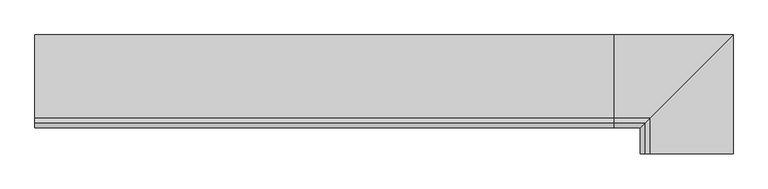
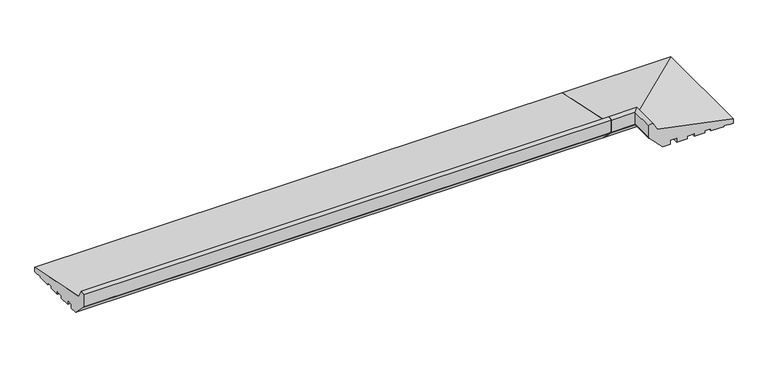
"""IFC4 building model written with IfcOpenShell, lengths in millimetres: proxy geometry."""

import ifcopenshell
import ifcopenshell.guid

model = None  # the IFC model being written
_history = None  # IfcOwnerHistory: only IFC2X3 demands one
_inside = {}  # id of a spatial element -> (the spatial element, [elements in it])
_under = {}  # id of a project, library or spatial element -> (it, [spatial elements below it])
_declared = {}  # id of a project -> (the project, [libraries it declares])
_typed = {}  # id of a type object -> (the type object, [elements of that type])
_made_of = {}  # id of a material, layer set ... -> (it, [elements and type objects made of it])


def new_model(schema):
    """Start an empty IFC model of exactly this schema.

    Asked for "IFC4X3", IfcOpenShell would pick the latest addendum, in which some entities
    have other attributes; the version numbers below select the first issue.
    IFC2X3 requires an IfcOwnerHistory on every rooted entity: one is made here for all.
    """
    global model, _history
    if schema == "IFC4X3":
        model = ifcopenshell.file(schema_version=(4, 3, 0, 0))
    else:
        model = ifcopenshell.file(schema=schema)
    _inside.clear()
    _under.clear()
    _declared.clear()
    _typed.clear()
    _made_of.clear()
    _history = None
    if model.schema == "IFC2X3":
        org = make("IfcOrganization", Name="unknown")
        user = make(
            "IfcPersonAndOrganization",
            ThePerson=make("IfcPerson", FamilyName="unknown"),
            TheOrganization=org,
        )
        app = make(
            "IfcApplication",
            ApplicationDeveloper=org,
            Version="unknown",
            ApplicationFullName="unknown",
            ApplicationIdentifier="unknown",
        )
        _history = make(
            "IfcOwnerHistory",
            OwningUser=user,
            OwningApplication=app,
            ChangeAction="ADDED",
            CreationDate=0,
        )
    return model


def make(cls, **values):
    """One entity of the class cls with the attributes given. An attribute that is None is left unset."""
    return model.create_entity(
        cls, **{name: value for name, value in values.items() if value is not None}
    )


def rooted(cls, **values):
    """An entity with a GlobalId (a new one), such as an element, a storey or a relation."""
    return make(cls, GlobalId=ifcopenshell.guid.new(), OwnerHistory=_history, **values)


def si_unit(unit_type, name, prefix=None):
    """IfcSIUnit, for example si_unit("LENGTHUNIT", "METRE", prefix="MILLI")."""
    return make("IfcSIUnit", UnitType=unit_type, Prefix=prefix, Name=name)


def assignment(units):
    """IfcUnitAssignment: the units of a project."""
    return None if units is None else make("IfcUnitAssignment", Units=units)


def point(xyz):
    """IfcCartesianPoint."""
    return None if xyz is None else make("IfcCartesianPoint", Coordinates=xyz)


def direction(xyz):
    """IfcDirection."""
    return None if xyz is None else make("IfcDirection", DirectionRatios=xyz)


def frame(location, z_axis=None, x_axis=None):
    """IfcAxis2Placement3D, a coordinate frame: its origin and axes. An axis left out is left unset."""
    return make(
        "IfcAxis2Placement3D",
        Location=point(location),
        Axis=direction(z_axis),
        RefDirection=direction(x_axis),
    )


def frame_2d(location, x_axis=None):
    """IfcAxis2Placement2D, a coordinate frame in the plane: its origin and x axis."""
    return make(
        "IfcAxis2Placement2D", Location=point(location), RefDirection=direction(x_axis)
    )


def origin():
    """The frame at (0, 0, 0) with its axes left unset."""
    return frame((0.0, 0.0, 0.0))


def place(relative_to, where):
    """IfcLocalPlacement: puts the frame where relative to a parent placement (None: the world)."""
    return make(
        "IfcLocalPlacement", PlacementRelTo=relative_to, RelativePlacement=where
    )


def context(
    kind, dimensions, precision=None, world=None, true_north=None, identifier=None
):
    """IfcGeometricRepresentationContext, for example the 3D "Model" context."""
    return make(
        "IfcGeometricRepresentationContext",
        ContextIdentifier=identifier,
        ContextType=kind,
        CoordinateSpaceDimension=dimensions,
        Precision=precision,
        WorldCoordinateSystem=world,
        TrueNorth=true_north,
    )


def project(units=None, contexts=None):
    """IfcProject with its units and contexts."""
    return rooted(
        "IfcProject",
        Name="project",
        RepresentationContexts=contexts,
        UnitsInContext=assignment(units),
    )


def spatial(cls, under=None, at=None, **own):
    """A site, building, storey or space (cls), placed at a placement, below another one or the project."""
    s = rooted(cls, ObjectPlacement=at, **own)
    if under is not None:
        _under.setdefault(under.id(), (under, []))[1].append(s)
    return s


def polyline(points):
    """IfcPolyline through the points."""
    return make("IfcPolyline", Points=[point(p) for p in points])


def circle_curve(where, radius):
    """IfcCircle in the frame where."""
    return make("IfcCircle", Position=where, Radius=radius)


def ellipse_curve(where, semi_axis1, semi_axis2):
    """IfcEllipse in the frame where."""
    return make(
        "IfcEllipse", Position=where, SemiAxis1=semi_axis1, SemiAxis2=semi_axis2
    )


def trimmed(basis, trim1, trim2, sense, master):
    """IfcTrimmedCurve: the piece of a basis curve between two trims."""
    return make(
        "IfcTrimmedCurve",
        BasisCurve=basis,
        Trim1=trim1,
        Trim2=trim2,
        SenseAgreement=sense,
        MasterRepresentation=master,
    )


def segment(curve, same_sense, transition):
    """IfcCompositeCurveSegment."""
    return make(
        "IfcCompositeCurveSegment",
        Transition=transition,
        SameSense=same_sense,
        ParentCurve=curve,
    )


def composite_curve(segments, self_intersect=None):
    """IfcCompositeCurve: segments joined end to end."""
    return make("IfcCompositeCurve", Segments=segments, SelfIntersect=self_intersect)


def outline(outer, holes=None, kind="AREA"):
    """IfcArbitraryClosedProfileDef: a profile drawn as a closed curve; with holes, ...WithVoids."""
    if holes is None:
        return make("IfcArbitraryClosedProfileDef", ProfileType=kind, OuterCurve=outer)
    return make(
        "IfcArbitraryProfileDefWithVoids",
        ProfileType=kind,
        OuterCurve=outer,
        InnerCurves=holes,
    )


def extrude(swept, where, along, depth):
    """IfcExtrudedAreaSolid: the profile swept, set in the frame where, extruded along a direction by depth."""
    return make(
        "IfcExtrudedAreaSolid",
        SweptArea=swept,
        Position=where,
        ExtrudedDirection=direction(along),
        Depth=depth,
    )


def shape(context_of_items, identifier, shape_type, items):
    """IfcShapeRepresentation: the items that make up one representation, for example the "Body"."""
    return make(
        "IfcShapeRepresentation",
        ContextOfItems=context_of_items,
        RepresentationIdentifier=identifier,
        RepresentationType=shape_type,
        Items=items,
    )


def source(mapping_origin, context_of_items, identifier, shape_type, items):
    """IfcRepresentationMap: a shape defined once, which mapped items show again and again."""
    return make(
        "IfcRepresentationMap",
        MappingOrigin=mapping_origin,
        MappedRepresentation=shape(context_of_items, identifier, shape_type, items),
    )


def transform(
    local_origin,
    x_axis=None,
    y_axis=None,
    z_axis=None,
    scale=None,
    scale2=None,
    scale3=None,
    uniform=True,
):
    """IfcCartesianTransformationOperator3D, or its non-uniform kind. x_axis, y_axis, z_axis: its Axis1, 2, 3."""
    if uniform:
        return make(
            "IfcCartesianTransformationOperator3D",
            Axis1=direction(x_axis),
            Axis2=direction(y_axis),
            LocalOrigin=point(local_origin),
            Scale=scale,
            Axis3=direction(z_axis),
        )
    return make(
        "IfcCartesianTransformationOperator3DnonUniform",
        Axis1=direction(x_axis),
        Axis2=direction(y_axis),
        LocalOrigin=point(local_origin),
        Scale=scale,
        Axis3=direction(z_axis),
        Scale2=scale2,
        Scale3=scale3,
    )


def mapped(mapping_source, mapping_target):
    """IfcMappedItem: shows the shape of a source again, moved by a transform."""
    return make(
        "IfcMappedItem", MappingSource=mapping_source, MappingTarget=mapping_target
    )


def made_of(thing, what):
    """Note that an element or type object is made of a material, layer set ...; save() writes the relation."""
    if what is not None:
        _made_of.setdefault(what.id(), (what, []))[1].append(thing)
    return thing


def element(
    cls,
    number,
    at=None,
    inside=None,
    cuts=None,
    type_object=None,
    material=None,
    context=None,
    identifier="Body",
    shape_type=None,
    held_by="IfcProductDefinitionShape",
    body=None,
    shapes=None,
    **own,
):
    """One element of the class cls, such as IfcWall. Its Tag is "e" and its number.

    at: its placement. inside: the storey or other place that contains it. cuts: it is an
    opening in that element (IfcRelVoidsElement). A single representation is given by context,
    identifier, shape_type and body (its items); several are given by shapes. held_by: the class
    of the entity that holds the representations. save() writes the other relations.
    """
    e = rooted(cls, Tag="e%d" % number, ObjectPlacement=at, **own)
    if body is not None:
        shapes = [shape(context, identifier, shape_type, body)]
    if shapes is not None:
        e.Representation = make(held_by, Representations=shapes)
    if inside is not None:
        _inside.setdefault(inside.id(), (inside, []))[1].append(e)
    if cuts is not None:
        rooted(
            "IfcRelVoidsElement", RelatingBuildingElement=cuts, RelatedOpeningElement=e
        )
    if type_object is not None:
        _typed.setdefault(type_object.id(), (type_object, []))[1].append(e)
    return made_of(e, material)


def aggregate(whole, parts):
    """IfcRelAggregates: a whole, such as a stair, and the parts it consists of."""
    return rooted("IfcRelAggregates", RelatingObject=whole, RelatedObjects=parts)


def save(model, path):
    """Write the relations noted so far, then the file.

    IfcRelAggregates (storeys below a building ...), IfcRelContainedInSpatialStructure (elements
    in a storey), IfcRelDefinesByType, IfcRelAssociatesMaterial and IfcRelDeclares: one each for
    every whole, place, type object, material and project.
    """
    for whole, parts in _under.values():
        aggregate(whole, parts)
    for where, things in _inside.values():
        rooted(
            "IfcRelContainedInSpatialStructure",
            RelatedElements=things,
            RelatingStructure=where,
        )
    for kind, things in _typed.values():
        rooted("IfcRelDefinesByType", RelatedObjects=things, RelatingType=kind)
    for what, things in _made_of.values():
        rooted("IfcRelAssociatesMaterial", RelatedObjects=things, RelatingMaterial=what)
    for by, libraries in _declared.values():
        rooted("IfcRelDeclares", RelatingContext=by, RelatedDefinitions=libraries)
    model.write(path)


def plane_surface(at):
    """IfcPlane: the flat surface through the origin of the frame at, square to its z axis."""
    return make("IfcPlane", Position=at)


def cylinder_surface(at, radius):
    """IfcCylindricalSurface: all points at the distance radius from the z axis of the frame at."""
    return make("IfcCylindricalSurface", Position=at, Radius=radius)


def advanced_brep(points, edges, surfaces, faces):
    """IfcAdvancedBrep: a solid bounded by faces that lie on surfaces and meet in shared edges.

    An edge is (start, end): straight between two places in points (the first is 0);
    or (start, end, curve); or (start, end, curve, False) where it runs against its curve.
    A face is (place in surfaces, loops), or (place, loops, False) where it looks against
    its surface's normal. A loop lists edges by number (the first is 1), with a minus sign
    where the edge is run from its end to its start. The first loop is the outer one.
    """
    corners = [point(p) for p in points]
    vertices = [make("IfcVertexPoint", VertexGeometry=c) for c in corners]
    made = []
    for start, end, *more in edges:
        made.append(
            make(
                "IfcEdgeCurve",
                EdgeStart=vertices[start],
                EdgeEnd=vertices[end],
                EdgeGeometry=more[0] if more else make("IfcPolyline", Points=[corners[start], corners[end]]),
                SameSense=more[1] if len(more) > 1 else True,
            )
        )
    hull = []
    for where, loops, *sense in faces:
        bounds = []
        for j, loop in enumerate(loops):
            ring = [make("IfcOrientedEdge", EdgeElement=made[abs(k) - 1], Orientation=k > 0) for k in loop]
            bounds.append(
                make(
                    "IfcFaceOuterBound" if j == 0 else "IfcFaceBound",
                    Bound=make("IfcEdgeLoop", EdgeList=ring),
                    Orientation=True,
                )
            )
        hull.append(make("IfcAdvancedFace", Bounds=bounds, FaceSurface=surfaces[where], SameSense=sense[0] if sense else True))
    return make("IfcAdvancedBrep", Outer=make("IfcClosedShell", CfsFaces=hull))


def generic_models_6895b299(model_context):
    return source(origin(), model_context, "Body", "SolidModel", [
        advanced_brep(
        [(1000.0, 16.9634146, 2.0714803), (1000.0, 16.9634146, 0.0), (1000.0, -7.0449052, 0.0), (1000.0, -7.0449052, 4.0148089), (1000.0, -18.9957985, 4.0148089), (1000.0, -18.9957985, 0.0), (1000.0, -38.9970202, 0.0), (1000.0, -38.9970202, 5.0), (1000.0, -51.9659993, 5.0), (1000.0, -51.9659993, 0.0), (1000.0, -71.9994005, 0.0), (1000.0, -71.9994005, 7.9636602), (1000.0, -84.3282852, 7.9636602), (1000.0, -84.3282852, 0.0), (1000.0, -98.3331279, 0.0), (1000.0, -124.2741015, 25.9409736), (1000.0, -125.0, 27.0076366), (1000.0, -125.0, 51.2355304), (1000.0, -116.6949035, 52.9234409), (1000.0, -108.4970481, 38.6463845), (1000.0, 35.0, 9.1871592), (1000.0, 35.0, 0.0), (1000.0, 27.0536769, 0.0), (1000.0, 27.0536769, 0.9956448), (1186.9634146, -170.0, 2.0714803), (1197.0536769, -170.0, 0.9956448), (1197.0536769, -170.0, 0.0), (1205.0, -170.0, 0.0), (1205.0, -170.0, 9.1871592), (1061.5029519, -170.0, 38.6463845), (1053.3050965, -170.0, 52.9234409), (1045.0, -170.0, 51.2355304), (1045.0, -170.0, 27.0076366), (1045.7258985, -170.0, 25.9409736), (1071.6668721, -170.0, 0.0), (1085.6717148, -170.0, 0.0), (1085.6717148, -170.0, 7.9636602), (1098.0005995, -170.0, 7.9636602), (1098.0005995, -170.0, 0.0), (1118.0340007, -170.0, 0.0), (1118.0340007, -170.0, 5.0), (1131.0029798, -170.0, 5.0), (1131.0029798, -170.0, 0.0), (1151.0042015, -170.0, 0.0), (1151.0042015, -170.0, 4.0148089), (1162.9550948, -170.0, 4.0148089), (1162.9550948, -170.0, 0.0), (1186.9634146, -170.0, 0.0), (1197.0536769, 27.0536769, 0.9956448), (1186.9634146, 16.9634146, 2.0714803), (1205.0, 35.0, 9.1871592), (1205.0, 35.0, 0.0), (1197.0536769, 27.0536769, 0.0), (1061.5029519, -108.4970481, 38.6463845), (1053.3050965, -116.6949035, 52.9234409), (1045.0, -125.0, 51.2355304), (1045.0, -125.0, 27.0076366), (1045.7258985, -124.2741015, 25.9409736), (1071.6668721, -98.3331279, 0.0), (1085.6717148, -84.3282852, 0.0), (1085.6717148, -84.3282852, 7.9636602), (1098.0005995, -71.9994005, 7.9636602), (1098.0005995, -71.9994005, 0.0), (1118.0340007, -51.9659993, 0.0), (1118.0340007, -51.9659993, 5.0), (1131.0029798, -38.9970202, 5.0), (1131.0029798, -38.9970202, 0.0), (1151.0042015, -18.9957985, 0.0), (1151.0042015, -18.9957985, 4.0148089), (1162.9550948, -7.0449052, 4.0148089), (1162.9550948, -7.0449052, 0.0), (1186.9634146, 16.9634146, 0.0)],
        [
            (0, 1),
            (1, 2),
            (2, 3),
            (3, 4),
            (4, 5),
            (5, 6),
            (6, 7),
            (7, 8),
            (8, 9),
            (9, 10),
            (10, 11),
            (11, 12),
            (12, 13),
            (13, 14),
            (14, 15),
            (15, 16, circle_curve(frame((1000.0, -121.8315077, 28.3835674), z_axis=(-1.0, 0.0, 0.0), x_axis=(0.0, 1.0, 0.0)), 3.4543493)),
            (16, 17),
            (17, 18, circle_curve(frame((1000.0, -118.9446027, 42.7168184), z_axis=(-1.0, 0.0, 0.0), x_axis=(0.0, 1.0, 0.0)), 10.4516166)),
            (18, 19),
            (19, 20),
            (20, 21),
            (21, 22),
            (22, 23),
            (23, 0),
            (24, 25),
            (25, 26),
            (26, 27),
            (27, 28),
            (28, 29),
            (29, 30),
            (30, 31, circle_curve(frame((1051.0553973, -170.0, 42.7168184), z_axis=(0.0, -1.0, 0.0), x_axis=(1.0, 0.0, 0.0)), 10.4516166)),
            (31, 32),
            (32, 33, circle_curve(frame((1048.1684923, -170.0, 28.3835674), z_axis=(0.0, -1.0, 0.0), x_axis=(1.0, 0.0, 0.0)), 3.4543493)),
            (33, 34),
            (34, 35),
            (35, 36),
            (36, 37),
            (37, 38),
            (38, 39),
            (39, 40),
            (40, 41),
            (41, 42),
            (42, 43),
            (43, 44),
            (44, 45),
            (45, 46),
            (46, 47),
            (47, 24),
            (23, 48),
            (48, 49),
            (49, 0),
            (20, 50),
            (50, 51),
            (51, 21),
            (51, 27),
            (26, 52),
            (52, 22),
            (52, 48),
            (19, 53),
            (53, 50),
            (18, 54),
            (54, 53),
            (17, 55),
            (55, 54, ellipse_curve(frame((1051.0553973, -118.9446027, 42.7168184), z_axis=(-0.7071067811865492, 0.7071067811865458, 0.0), x_axis=(-0.7071067811865458, -0.7071067811865491, 0.0)), 14.780818, 10.4516166)),
            (16, 56),
            (56, 55),
            (15, 57),
            (57, 56, ellipse_curve(frame((1048.1684923, -121.8315077, 28.3835674), z_axis=(-0.7071067811865492, 0.7071067811865458, 0.0), x_axis=(-0.7071067811865458, -0.7071067811865491, 0.0)), 4.8851877, 3.4543493)),
            (14, 58),
            (58, 57),
            (13, 59),
            (59, 35),
            (34, 58),
            (12, 60),
            (60, 59),
            (11, 61),
            (61, 37),
            (36, 60),
            (10, 62),
            (62, 61),
            (9, 63),
            (63, 39),
            (38, 62),
            (8, 64),
            (64, 63),
            (7, 65),
            (65, 41),
            (40, 64),
            (6, 66),
            (66, 65),
            (5, 67),
            (67, 43),
            (42, 66),
            (4, 68),
            (68, 67),
            (3, 69),
            (69, 45),
            (44, 68),
            (2, 70),
            (70, 69),
            (1, 71),
            (71, 47),
            (46, 70),
            (49, 71),
            (48, 25),
            (24, 49),
            (50, 28),
            (53, 29),
            (54, 30),
            (55, 31),
            (56, 32),
            (57, 33),
        ],
        [
            plane_surface(frame((1000.0, 35.0, 0.0), z_axis=(-1.0, 0.0, 0.0), x_axis=(0.0, 0.0, 1.0))),
            plane_surface(frame((1205.0, -170.0, 0.0), z_axis=(0.0, -1.0, 0.0), x_axis=(0.0, 0.0, 1.0))),
            plane_surface(frame((1000.0, 16.9634146, 2.0714803), z_axis=(0.0, -0.10602024100591773, -0.9943639718418237), x_axis=(1.0, 0.0, 0.0))),
            plane_surface(frame((1000.0, 35.0, 0.0), z_axis=(0.0, 1.0, 0.0), x_axis=(1.0, 0.0, 0.0))),
            plane_surface(frame((1000.0, 27.0536769, 0.0), z_axis=(0.0, 0.0, -1.0), x_axis=(1.0, 0.0, 0.0))),
            plane_surface(frame((1000.0, 27.0536769, 0.9956448), z_axis=(0.0, -1.0, 0.0), x_axis=(1.0, 0.0, 0.0))),
            plane_surface(frame((1000.0, 35.0, 9.1871592), z_axis=(0.0, 0.20110092371128924, 0.9795705275693355), x_axis=(1.0, 0.0, 0.0))),
            plane_surface(frame((1000.0, -108.4970481, 38.6463845), z_axis=(0.0, 0.867206740138978, 0.49794826022140815), x_axis=(1.0, 0.0, 0.0))),
            cylinder_surface(frame((1000.0, -118.9446027, 42.7168184), z_axis=(-1.0, 0.0, 0.0), x_axis=(0.0, 1.0, 0.0)), 10.4516166),
            plane_surface(frame((1000.0, -125.0, 51.2355304), z_axis=(0.0, -1.0, 0.0), x_axis=(1.0, 0.0, 0.0))),
            cylinder_surface(frame((1000.0, -121.8315077, 28.3835674), z_axis=(-1.0, 0.0, 0.0), x_axis=(0.0, 1.0, 0.0)), 3.4543493),
            plane_surface(frame((1000.0, -124.2741015, 25.9409736), z_axis=(0.0, -0.7071067811865471, -0.707106781186548), x_axis=(1.0, 0.0, 0.0))),
            plane_surface(frame((1000.0, -98.3331279, 0.0), z_axis=(0.0, 0.0, -1.0), x_axis=(1.0, 0.0, 0.0))),
            plane_surface(frame((1000.0, -84.3282852, 0.0), z_axis=(0.0, 1.0, 0.0), x_axis=(1.0, 0.0, 0.0))),
            plane_surface(frame((1000.0, -84.3282852, 7.9636602), z_axis=(0.0, 0.0, -1.0), x_axis=(1.0, 0.0, 0.0))),
            plane_surface(frame((1000.0, -71.9994005, 7.9636602), z_axis=(0.0, -1.0, 0.0), x_axis=(1.0, 0.0, 0.0))),
            plane_surface(frame((1000.0, -71.9994005, 0.0), z_axis=(0.0, 0.0, -1.0), x_axis=(1.0, 0.0, 0.0))),
            plane_surface(frame((1000.0, -51.9659993, 0.0), z_axis=(0.0, 1.0, 0.0), x_axis=(1.0, 0.0, 0.0))),
            plane_surface(frame((1000.0, -51.9659993, 5.0), z_axis=(0.0, 0.0, -1.0), x_axis=(1.0, 0.0, 0.0))),
            plane_surface(frame((1000.0, -38.9970202, 5.0), z_axis=(0.0, -1.0, 0.0), x_axis=(1.0, 0.0, 0.0))),
            plane_surface(frame((1000.0, -38.9970202, 0.0), z_axis=(0.0, 0.0, -1.0), x_axis=(1.0, 0.0, 0.0))),
            plane_surface(frame((1000.0, -18.9957985, 0.0), z_axis=(0.0, 1.0, 0.0), x_axis=(1.0, 0.0, 0.0))),
            plane_surface(frame((1000.0, -18.9957985, 4.0148089), z_axis=(0.0, 0.0, -1.0), x_axis=(1.0, 0.0, 0.0))),
            plane_surface(frame((1000.0, -7.0449052, 4.0148089), z_axis=(0.0, -1.0, 0.0), x_axis=(1.0, 0.0, 0.0))),
            plane_surface(frame((1000.0, -7.0449052, 0.0), z_axis=(0.0, 0.0, -1.0), x_axis=(1.0, 0.0, 0.0))),
            plane_surface(frame((1000.0, 16.9634146, 0.0), z_axis=(0.0, 1.0, 0.0), x_axis=(1.0, 0.0, 0.0))),
            plane_surface(frame((1186.9634146, 16.9634146, 2.0714803), z_axis=(-0.1060202410059177, 0.0, -0.9943639718418237), x_axis=(0.0, -1.0, 0.0))),
            plane_surface(frame((1205.0, 35.0, 0.0), z_axis=(1.0, 0.0, 0.0), x_axis=(0.0, -1.0, 0.0))),
            plane_surface(frame((1197.0536769, 27.0536769, 0.9956448), z_axis=(-1.0, 0.0, 0.0), x_axis=(0.0, -1.0, 0.0))),
            plane_surface(frame((1205.0, 35.0, 9.1871592), z_axis=(0.20110092371128918, 0.0, 0.9795705275693355), x_axis=(0.0, -1.0, 0.0))),
            plane_surface(frame((1061.5029519, -108.4970481, 38.6463845), z_axis=(0.867206740138978, 0.0, 0.49794826022140826), x_axis=(0.0, -1.0, 0.0))),
            cylinder_surface(frame((1051.0553973, 35.0, 42.7168184), z_axis=(0.0, 1.0, 0.0), x_axis=(1.0, 0.0, 0.0)), 10.4516166),
            plane_surface(frame((1045.0, -125.0, 51.2355304), z_axis=(-1.0, 0.0, 0.0), x_axis=(0.0, -1.0, 0.0))),
            cylinder_surface(frame((1048.1684923, 35.0, 28.3835674), z_axis=(0.0, 1.0, 0.0), x_axis=(1.0, 0.0, 0.0)), 3.4543493),
            plane_surface(frame((1045.7258985, -124.2741015, 25.9409736), z_axis=(-0.707106781186547, 0.0, -0.707106781186548), x_axis=(0.0, -1.0, 0.0))),
            plane_surface(frame((1085.6717148, -84.3282852, 0.0), z_axis=(1.0, 0.0, 0.0), x_axis=(0.0, -1.0, 0.0))),
            plane_surface(frame((1098.0005995, -71.9994005, 7.9636602), z_axis=(-1.0, 0.0, 0.0), x_axis=(0.0, -1.0, 0.0))),
            plane_surface(frame((1118.0340007, -51.9659993, 0.0), z_axis=(1.0, 0.0, 0.0), x_axis=(0.0, -1.0, 0.0))),
            plane_surface(frame((1131.0029798, -38.9970202, 5.0), z_axis=(-1.0, 0.0, 0.0), x_axis=(0.0, -1.0, 0.0))),
            plane_surface(frame((1151.0042015, -18.9957985, 0.0), z_axis=(1.0, 0.0, 0.0), x_axis=(0.0, -1.0, 0.0))),
            plane_surface(frame((1162.9550948, -7.0449052, 4.0148089), z_axis=(-1.0, 0.0, 0.0), x_axis=(0.0, -1.0, 0.0))),
            plane_surface(frame((1186.9634146, 16.9634146, 0.0), z_axis=(1.0, 0.0, 0.0), x_axis=(0.0, -1.0, 0.0))),
        ],
        [
            (0, [[1, 2, 3, 4, 5, 6, 7, 8, 9, 10, 11, 12, 13, 14, 15, 16, 17, 18, 19, 20, 21, 22, 23, 24]]),
            (1, [[25, 26, 27, 28, 29, 30, 31, 32, 33, 34, 35, 36, 37, 38, 39, 40, 41, 42, 43, 44, 45, 46, 47, 48]]),
            (2, [[49, 50, 51, -24]]),
            (3, [[52, 53, 54, -21]]),
            (4, [[-54, 55, -27, 56, 57, -22]]),
            (5, [[-57, 58, -49, -23]]),
            (6, [[59, 60, -52, -20]]),
            (7, [[61, 62, -59, -19]]),
            (8, [[63, 64, -61, -18]]),
            (9, [[65, 66, -63, -17]]),
            (10, [[67, 68, -65, -16]]),
            (11, [[69, 70, -67, -15]]),
            (12, [[71, 72, -35, 73, -69, -14]]),
            (13, [[74, 75, -71, -13]]),
            (14, [[76, 77, -37, 78, -74, -12]]),
            (15, [[79, 80, -76, -11]]),
            (16, [[81, 82, -39, 83, -79, -10]]),
            (17, [[84, 85, -81, -9]]),
            (18, [[86, 87, -41, 88, -84, -8]]),
            (19, [[89, 90, -86, -7]]),
            (20, [[91, 92, -43, 93, -89, -6]]),
            (21, [[94, 95, -91, -5]]),
            (22, [[96, 97, -45, 98, -94, -4]]),
            (23, [[99, 100, -96, -3]]),
            (24, [[101, 102, -47, 103, -99, -2]]),
            (25, [[-51, 104, -101, -1]]),
            (26, [[105, -25, 106, -50]]),
            (27, [[107, -28, -55, -53]]),
            (28, [[-56, -26, -105, -58]]),
            (29, [[108, -29, -107, -60]]),
            (30, [[109, -30, -108, -62]]),
            (31, [[110, -31, -109, -64]]),
            (32, [[111, -32, -110, -66]]),
            (33, [[112, -33, -111, -68]]),
            (34, [[-73, -34, -112, -70]]),
            (35, [[-78, -36, -72, -75]]),
            (36, [[-83, -38, -77, -80]]),
            (37, [[-88, -40, -82, -85]]),
            (38, [[-93, -42, -87, -90]]),
            (39, [[-98, -44, -92, -95]]),
            (40, [[-103, -46, -97, -100]]),
            (41, [[-106, -48, -102, -104]]),
        ],
    ),
        extrude(outline(composite_curve([segment(polyline([(16.9634146, 2.0714803), (16.9634146, 0.0), (-7.0449052, 0.0), (-7.0449052, 4.0148089), (-18.9957985, 4.0148089), (-18.9957985, 0.0), (-38.9970202, 0.0), (-38.9970202, 5.0), (-51.9659993, 5.0), (-51.9659993, 0.0), (-71.9994005, 0.0), (-71.9994005, 7.9636602), (-84.3282852, 7.9636602), (-84.3282852, 0.0), (-98.3331279, 0.0), (-124.2741015, 25.9409736)]), True, "CONTINUOUS"), segment(trimmed(circle_curve(frame_2d((-121.8315077, 28.3835674)), 3.4543493), [point((-124.2741015, 25.9409736))], [point((-125.0, 27.0076366))], False, "CARTESIAN"), True, "CONTINUOUS"), segment(polyline([(-125.0, 27.0076366), (-125.0, 51.2355304)]), True, "CONTINUOUS"), segment(trimmed(circle_curve(frame_2d((-118.9446027, 42.7168184)), 10.4516166), [point((-125.0, 51.2355304))], [point((-116.6949035, 52.9234409))], False, "CARTESIAN"), True, "CONTINUOUS"), segment(polyline([(-116.6949035, 52.9234409), (-108.4970481, 38.6463845), (35.0, 9.1871592), (35.0, 0.0), (27.0536769, 0.0), (27.0536769, 0.9956448), (16.9634146, 2.0714803)]), True, "CONTINUOUS")], self_intersect=False)), frame((0.0, 0.0, 0.0), z_axis=(1.0, 0.0, 0.0), x_axis=(0.0, 1.0, 0.0)), (0.0, 0.0, 1.0), 1000.0),
    ])


if __name__ == "__main__":
    model = new_model("IFC4")
    model_context = context("Model", 3, world=origin())
    ifc_project = project(units=[si_unit("LENGTHUNIT", "METRE", prefix="MILLI")], contexts=[model_context])
    site = spatial("IfcSite", under=ifc_project)
    building = spatial("IfcBuilding", under=site)
    placement = place(None, origin())
    generic_models_shape = generic_models_6895b299(model_context)
    element("IfcBuildingElementProxy", 1, Name="Generic Models", at=placement, inside=building, context=model_context, shape_type="MappedRepresentation", body=[
        mapped(generic_models_shape, transform((0.0, 0.0, 0.0), x_axis=(1.0, 0.0, 0.0), y_axis=(0.0, 1.0, 0.0), z_axis=(0.0, 0.0, 1.0))),
    ])
    save(model, "model.ifc")
